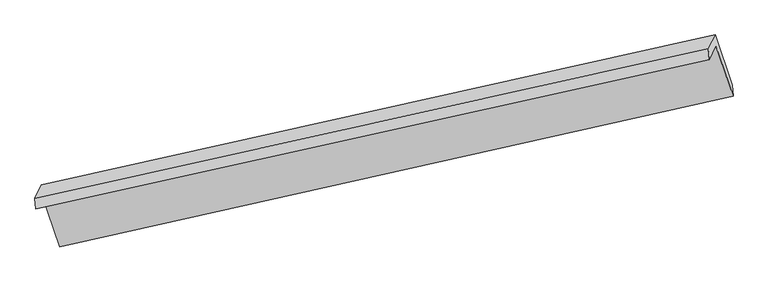
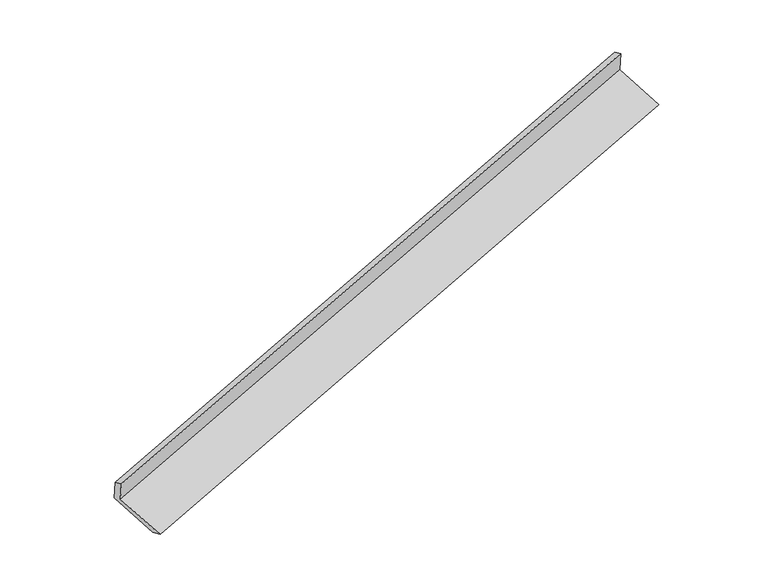
"""IFC4 building model written with IfcOpenShell, lengths in millimetres: proxy geometry."""

import ifcopenshell
import ifcopenshell.guid

model = None  # the IFC model being written
_history = None  # IfcOwnerHistory: only IFC2X3 demands one
_inside = {}  # id of a spatial element -> (the spatial element, [elements in it])
_under = {}  # id of a project, library or spatial element -> (it, [spatial elements below it])
_declared = {}  # id of a project -> (the project, [libraries it declares])
_typed = {}  # id of a type object -> (the type object, [elements of that type])
_made_of = {}  # id of a material, layer set ... -> (it, [elements and type objects made of it])


def new_model(schema):
    """Start an empty IFC model of exactly this schema.

    Asked for "IFC4X3", IfcOpenShell would pick the latest addendum, in which some entities
    have other attributes; the version numbers below select the first issue.
    IFC2X3 requires an IfcOwnerHistory on every rooted entity: one is made here for all.
    """
    global model, _history
    if schema == "IFC4X3":
        model = ifcopenshell.file(schema_version=(4, 3, 0, 0))
    else:
        model = ifcopenshell.file(schema=schema)
    _inside.clear()
    _under.clear()
    _declared.clear()
    _typed.clear()
    _made_of.clear()
    _history = None
    if model.schema == "IFC2X3":
        org = make("IfcOrganization", Name="unknown")
        user = make(
            "IfcPersonAndOrganization",
            ThePerson=make("IfcPerson", FamilyName="unknown"),
            TheOrganization=org,
        )
        app = make(
            "IfcApplication",
            ApplicationDeveloper=org,
            Version="unknown",
            ApplicationFullName="unknown",
            ApplicationIdentifier="unknown",
        )
        _history = make(
            "IfcOwnerHistory",
            OwningUser=user,
            OwningApplication=app,
            ChangeAction="ADDED",
            CreationDate=0,
        )
    return model


def make(cls, **values):
    """One entity of the class cls with the attributes given. An attribute that is None is left unset."""
    return model.create_entity(
        cls, **{name: value for name, value in values.items() if value is not None}
    )


def rooted(cls, **values):
    """An entity with a GlobalId (a new one), such as an element, a storey or a relation."""
    return make(cls, GlobalId=ifcopenshell.guid.new(), OwnerHistory=_history, **values)


def si_unit(unit_type, name, prefix=None):
    """IfcSIUnit, for example si_unit("LENGTHUNIT", "METRE", prefix="MILLI")."""
    return make("IfcSIUnit", UnitType=unit_type, Prefix=prefix, Name=name)


def assignment(units):
    """IfcUnitAssignment: the units of a project."""
    return None if units is None else make("IfcUnitAssignment", Units=units)


def point(xyz):
    """IfcCartesianPoint."""
    return None if xyz is None else make("IfcCartesianPoint", Coordinates=xyz)


def direction(xyz):
    """IfcDirection."""
    return None if xyz is None else make("IfcDirection", DirectionRatios=xyz)


def frame(location, z_axis=None, x_axis=None):
    """IfcAxis2Placement3D, a coordinate frame: its origin and axes. An axis left out is left unset."""
    return make(
        "IfcAxis2Placement3D",
        Location=point(location),
        Axis=direction(z_axis),
        RefDirection=direction(x_axis),
    )


def origin():
    """The frame at (0, 0, 0) with its axes left unset."""
    return frame((0.0, 0.0, 0.0))


def place(relative_to, where):
    """IfcLocalPlacement: puts the frame where relative to a parent placement (None: the world)."""
    return make(
        "IfcLocalPlacement", PlacementRelTo=relative_to, RelativePlacement=where
    )


def context(
    kind, dimensions, precision=None, world=None, true_north=None, identifier=None
):
    """IfcGeometricRepresentationContext, for example the 3D "Model" context."""
    return make(
        "IfcGeometricRepresentationContext",
        ContextIdentifier=identifier,
        ContextType=kind,
        CoordinateSpaceDimension=dimensions,
        Precision=precision,
        WorldCoordinateSystem=world,
        TrueNorth=true_north,
    )


def project(units=None, contexts=None):
    """IfcProject with its units and contexts."""
    return rooted(
        "IfcProject",
        Name="project",
        RepresentationContexts=contexts,
        UnitsInContext=assignment(units),
    )


def spatial(cls, under=None, at=None, **own):
    """A site, building, storey or space (cls), placed at a placement, below another one or the project."""
    s = rooted(cls, ObjectPlacement=at, **own)
    if under is not None:
        _under.setdefault(under.id(), (under, []))[1].append(s)
    return s


def shape(context_of_items, identifier, shape_type, items):
    """IfcShapeRepresentation: the items that make up one representation, for example the "Body"."""
    return make(
        "IfcShapeRepresentation",
        ContextOfItems=context_of_items,
        RepresentationIdentifier=identifier,
        RepresentationType=shape_type,
        Items=items,
    )


def source(mapping_origin, context_of_items, identifier, shape_type, items):
    """IfcRepresentationMap: a shape defined once, which mapped items show again and again."""
    return make(
        "IfcRepresentationMap",
        MappingOrigin=mapping_origin,
        MappedRepresentation=shape(context_of_items, identifier, shape_type, items),
    )


def transform(
    local_origin,
    x_axis=None,
    y_axis=None,
    z_axis=None,
    scale=None,
    scale2=None,
    scale3=None,
    uniform=True,
):
    """IfcCartesianTransformationOperator3D, or its non-uniform kind. x_axis, y_axis, z_axis: its Axis1, 2, 3."""
    if uniform:
        return make(
            "IfcCartesianTransformationOperator3D",
            Axis1=direction(x_axis),
            Axis2=direction(y_axis),
            LocalOrigin=point(local_origin),
            Scale=scale,
            Axis3=direction(z_axis),
        )
    return make(
        "IfcCartesianTransformationOperator3DnonUniform",
        Axis1=direction(x_axis),
        Axis2=direction(y_axis),
        LocalOrigin=point(local_origin),
        Scale=scale,
        Axis3=direction(z_axis),
        Scale2=scale2,
        Scale3=scale3,
    )


def mapped(mapping_source, mapping_target):
    """IfcMappedItem: shows the shape of a source again, moved by a transform."""
    return make(
        "IfcMappedItem", MappingSource=mapping_source, MappingTarget=mapping_target
    )


def made_of(thing, what):
    """Note that an element or type object is made of a material, layer set ...; save() writes the relation."""
    if what is not None:
        _made_of.setdefault(what.id(), (what, []))[1].append(thing)
    return thing


def element(
    cls,
    number,
    at=None,
    inside=None,
    cuts=None,
    type_object=None,
    material=None,
    context=None,
    identifier="Body",
    shape_type=None,
    held_by="IfcProductDefinitionShape",
    body=None,
    shapes=None,
    **own,
):
    """One element of the class cls, such as IfcWall. Its Tag is "e" and its number.

    at: its placement. inside: the storey or other place that contains it. cuts: it is an
    opening in that element (IfcRelVoidsElement). A single representation is given by context,
    identifier, shape_type and body (its items); several are given by shapes. held_by: the class
    of the entity that holds the representations. save() writes the other relations.
    """
    e = rooted(cls, Tag="e%d" % number, ObjectPlacement=at, **own)
    if body is not None:
        shapes = [shape(context, identifier, shape_type, body)]
    if shapes is not None:
        e.Representation = make(held_by, Representations=shapes)
    if inside is not None:
        _inside.setdefault(inside.id(), (inside, []))[1].append(e)
    if cuts is not None:
        rooted(
            "IfcRelVoidsElement", RelatingBuildingElement=cuts, RelatedOpeningElement=e
        )
    if type_object is not None:
        _typed.setdefault(type_object.id(), (type_object, []))[1].append(e)
    return made_of(e, material)


def aggregate(whole, parts):
    """IfcRelAggregates: a whole, such as a stair, and the parts it consists of."""
    return rooted("IfcRelAggregates", RelatingObject=whole, RelatedObjects=parts)


def save(model, path):
    """Write the relations noted so far, then the file.

    IfcRelAggregates (storeys below a building ...), IfcRelContainedInSpatialStructure (elements
    in a storey), IfcRelDefinesByType, IfcRelAssociatesMaterial and IfcRelDeclares: one each for
    every whole, place, type object, material and project.
    """
    for whole, parts in _under.values():
        aggregate(whole, parts)
    for where, things in _inside.values():
        rooted(
            "IfcRelContainedInSpatialStructure",
            RelatedElements=things,
            RelatingStructure=where,
        )
    for kind, things in _typed.values():
        rooted("IfcRelDefinesByType", RelatedObjects=things, RelatingType=kind)
    for what, things in _made_of.values():
        rooted("IfcRelAssociatesMaterial", RelatedObjects=things, RelatingMaterial=what)
    for by, libraries in _declared.values():
        rooted("IfcRelDeclares", RelatingContext=by, RelatedDefinitions=libraries)
    model.write(path)


def plane_surface(at):
    """IfcPlane: the flat surface through the origin of the frame at, square to its z axis."""
    return make("IfcPlane", Position=at)


def spline_surface(u_degree, v_degree, points, u_multiplicities, v_multiplicities, u_knots, v_knots, weights=None):
    """IfcBSplineSurfaceWithKnots; with weights, IfcRationalBSplineSurfaceWithKnots. points: one row for each step in u."""
    own = dict(
        UDegree=u_degree,
        VDegree=v_degree,
        ControlPointsList=[[point(p) for p in row] for row in points],
        SurfaceForm="UNSPECIFIED",
        UClosed=False,
        VClosed=False,
        SelfIntersect=False,
        UMultiplicities=u_multiplicities,
        VMultiplicities=v_multiplicities,
        UKnots=u_knots,
        VKnots=v_knots,
        KnotSpec="UNSPECIFIED",
    )
    if weights is None:
        return make("IfcBSplineSurfaceWithKnots", **own)
    return make("IfcRationalBSplineSurfaceWithKnots", WeightsData=weights, **own)


def advanced_brep(points, edges, surfaces, faces):
    """IfcAdvancedBrep: a solid bounded by faces that lie on surfaces and meet in shared edges.

    An edge is (start, end): straight between two places in points (the first is 0);
    or (start, end, curve); or (start, end, curve, False) where it runs against its curve.
    A face is (place in surfaces, loops), or (place, loops, False) where it looks against
    its surface's normal. A loop lists edges by number (the first is 1), with a minus sign
    where the edge is run from its end to its start. The first loop is the outer one.
    """
    corners = [point(p) for p in points]
    vertices = [make("IfcVertexPoint", VertexGeometry=c) for c in corners]
    made = []
    for start, end, *more in edges:
        made.append(
            make(
                "IfcEdgeCurve",
                EdgeStart=vertices[start],
                EdgeEnd=vertices[end],
                EdgeGeometry=more[0] if more else make("IfcPolyline", Points=[corners[start], corners[end]]),
                SameSense=more[1] if len(more) > 1 else True,
            )
        )
    hull = []
    for where, loops, *sense in faces:
        bounds = []
        for j, loop in enumerate(loops):
            ring = [make("IfcOrientedEdge", EdgeElement=made[abs(k) - 1], Orientation=k > 0) for k in loop]
            bounds.append(
                make(
                    "IfcFaceOuterBound" if j == 0 else "IfcFaceBound",
                    Bound=make("IfcEdgeLoop", EdgeList=ring),
                    Orientation=True,
                )
            )
        hull.append(make("IfcAdvancedFace", Bounds=bounds, FaceSurface=surfaces[where], SameSense=sense[0] if sense else True))
    return make("IfcAdvancedBrep", Outer=make("IfcClosedShell", CfsFaces=hull))


def generic_models_668dd96a(model_context):
    return source(origin(), model_context, "Body", "AdvancedBrep", [
        advanced_brep(
        [(-7435.2898101, -2463.0686288, 926.3034515), (-7353.3659705, -2290.9791861, 540.4804247), (1549.3448334, -303.3882228, 3278.3316589), (1463.6135231, -483.4756489, 3682.0860946), (-7449.2419375, -2320.4997228, 869.0352762), (1449.6613956, -340.9067428, 3624.8179193), (-7365.9420186, -2145.5196841, 476.7315582), (1536.7687853, -157.9287207, 3214.5827924), (-7142.5269064, -2803.1355354, 230.8527099), (1763.2162584, -824.4702379, 2965.366688), (-7124.0738789, -2965.8937546, 288.1336839), (1775.604564, -969.3771255, 3029.322174)],
        [
            (0, 1),
            (1, 2),
            (2, 3),
            (3, 0),
            (4, 0),
            (3, 5),
            (5, 4),
            (6, 4),
            (5, 7),
            (7, 6),
            (8, 6),
            (7, 9),
            (9, 8),
            (10, 8),
            (9, 11),
            (11, 10),
            (1, 10),
            (11, 2),
        ],
        [
            plane_surface(frame((-7394.3278903, -2377.0239075, 733.3919381), z_axis=(0.30207165232438205, -0.8928256569733538, -0.3340884061324444), x_axis=(0.190373535351526, 0.39989917158809113, -0.8965704487662528))),
            plane_surface(frame((-7442.2658738, -2391.7841758, 897.6693639), z_axis=(-0.3445625948418082, 0.32068570911463334, 0.8822909351260076), x_axis=(0.09043783213878161, -0.9241330991971621, 0.37121289509698585))),
            plane_surface(frame((-7407.591978, -2233.0097034, 672.8834172), z_axis=(-0.30207165232438654, 0.8928256569733484, 0.3340884061324547), x_axis=(-0.19037353535136206, -0.39989917158806654, 0.8965704487662985))),
            plane_surface(frame((-7254.2344625, -2474.3276097, 353.7921341), z_axis=(0.18694091115250722, 0.3991308280892397, -0.8976344900939739), x_axis=(-0.30323609424106435, 0.8925665785879718, 0.3337255967665448))),
            spline_surface(1, 1, [[(-7124.0738789, -2965.8937546, 288.1336839), (1775.604564, -969.3771255, 3029.322174)], [(-7142.5269064, -2803.1355354, 230.8527099), (1763.2162584, -824.4702379, 2965.366688)]], [2, 2], [2, 2], [0.0, 1.0], [0.0, 1.0]),
            plane_surface(frame((-7238.7199247, -2628.4364704, 414.3070543), z_axis=(-0.18694091115253622, -0.39913082808915323, 0.8976344900940061), x_axis=(0.3032360942410272, -0.8925665785880146, -0.33372559676646374))),
            plane_surface(frame((1589.7015599, -513.2577831, 3299.0845545), z_axis=(0.933705407603092, 0.20833999940216041, 0.29118491798486407), x_axis=(-0.30323609424106435, 0.8925665785879718, 0.3337255967665448))),
            plane_surface(frame((-7311.740087, -2498.182752, 555.2561841), z_axis=(-0.9337054076032891, -0.20833999940143572, -0.29118491798475), x_axis=(-0.19037353535150442, -0.3998991715880911, 0.8965704487662574))),
        ],
        [
            (0, [[1, 2, 3, 4]]),
            (1, [[5, -4, 6, 7]]),
            (2, [[8, -7, 9, 10]]),
            (3, [[11, -10, 12, 13]]),
            (4, [[14, -13, 15, 16]]),
            (5, [[17, -16, 18, -2]]),
            (6, [[-12, -9, -6, -3, -18, -15]]),
            (7, [[-1, -5, -8, -11, -14, -17]]),
        ],
    ),
    ])


if __name__ == "__main__":
    model = new_model("IFC4")
    model_context = context("Model", 3, world=origin())
    ifc_project = project(units=[si_unit("LENGTHUNIT", "METRE", prefix="MILLI")], contexts=[model_context])
    site = spatial("IfcSite", under=ifc_project)
    building = spatial("IfcBuilding", under=site)
    placement = place(None, origin())
    generic_models_shape = generic_models_668dd96a(model_context)
    element("IfcBuildingElementProxy", 1, Name="Generic Models", at=placement, inside=building, context=model_context, shape_type="MappedRepresentation", body=[
        mapped(generic_models_shape, transform((0.0, 0.0, 0.0), x_axis=(1.0, 0.0, 0.0), y_axis=(0.0, 1.0, 0.0), z_axis=(0.0, 0.0, 1.0))),
    ])
    save(model, "model.ifc")
